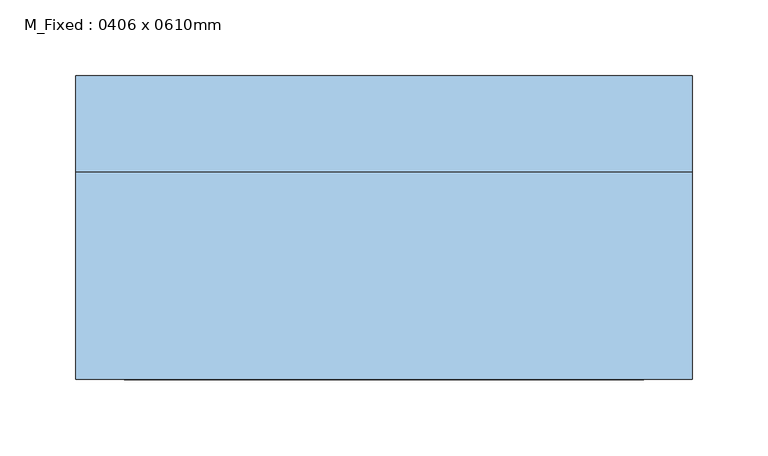
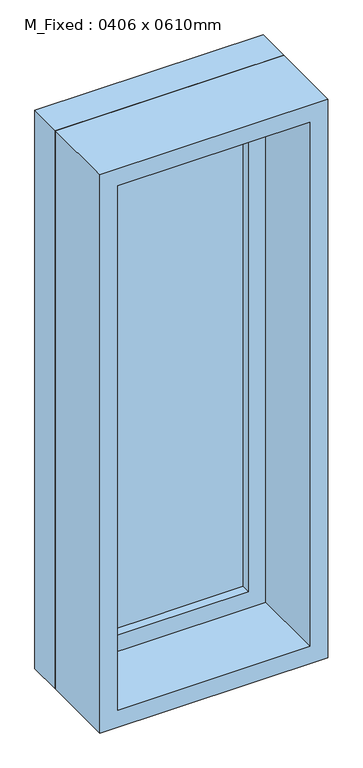
"""IFC4 building model written with IfcOpenShell, lengths in millimetres: window geometry, M_Fixed : 0406 x 0610mm."""

from ifc_helpers import new_model, si_unit, frame, origin, place, context, project, spatial, polyline, outline, extrude, source, transform, mapped, element, save


def m_fixed_0406_x_0610mm_fa4bb33b(model_context):
    return source(origin(), model_context, "Body", "SweptSolid", [
        extrude(outline(polyline([(-140.0, 78.0), (140.0, 78.0), (140.0, 66.0), (-140.0, 66.0), (-140.0, 78.0)])), frame((0.0, 0.0, 1113.0), z_axis=(0.0, 0.0, 1.0), x_axis=(1.0, 0.0, 0.0)), (0.0, 0.0, 1.0), 924.0),
        extrude(outline(polyline([(2081.0, -184.0), (1069.0, -184.0), (1069.0, 184.0), (2081.0, 184.0), (2081.0, -184.0)]), holes=[polyline([(2037.0, -140.0), (2037.0, 140.0), (1113.0, 140.0), (1113.0, -140.0), (2037.0, -140.0)])]), frame((0.0, 50.0, 0.0), z_axis=(0.0, 1.0, 0.0), x_axis=(0.0, 0.0, 1.0)), (0.0, 0.0, 1.0), 44.0),
        extrude(outline(polyline([(2100.0, -203.0), (1050.0, -203.0), (1050.0, 203.0), (2100.0, 203.0), (2100.0, -203.0)]), holes=[polyline([(2081.0, -184.0), (2081.0, 184.0), (1069.0, 184.0), (1069.0, -184.0), (2081.0, -184.0)])]), frame((0.0, 50.0, 0.0), z_axis=(0.0, 1.0, 0.0), x_axis=(0.0, 0.0, 1.0)), (0.0, 0.0, 1.0), 63.0),
        extrude(outline(polyline([(2100.0, -203.0), (1050.0, -203.0), (1050.0, 203.0), (2100.0, 203.0), (2100.0, -203.0)]), holes=[polyline([(2068.0, -171.0), (2068.0, 171.0), (1082.0, 171.0), (1082.0, -171.0), (2068.0, -171.0)])]), frame((0.0, -87.0, 0.0), z_axis=(0.0, 1.0, 0.0), x_axis=(0.0, 0.0, 1.0)), (0.0, 0.0, 1.0), 137.0),
    ])


if __name__ == "__main__":
    model = new_model("IFC4")
    model_context = context("Model", 3, world=origin())
    ifc_project = project(units=[si_unit("LENGTHUNIT", "METRE", prefix="MILLI")], contexts=[model_context])
    site = spatial("IfcSite", under=ifc_project)
    building = spatial("IfcBuilding", under=site)
    placement = place(None, origin())
    m_fixed_0406_x_0610mm_shape = m_fixed_0406_x_0610mm_fa4bb33b(model_context)
    element("IfcWindow", 1, ObjectType="M_Fixed : 0406 x 0610mm", at=placement, inside=building, context=model_context, shape_type="MappedRepresentation", body=[
        mapped(m_fixed_0406_x_0610mm_shape, transform((0.0, 0.0, 0.0), x_axis=(1.0, 0.0, 0.0), y_axis=(0.0, 1.0, 0.0), z_axis=(0.0, 0.0, 1.0))),
    ])
    save(model, "model.ifc")
